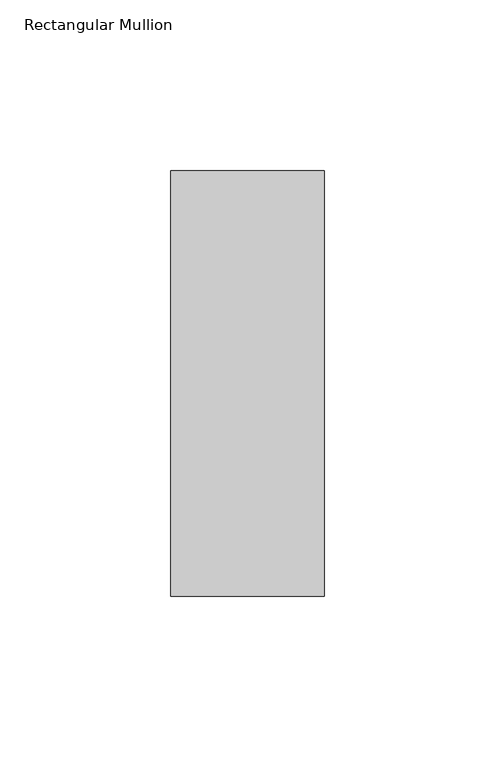
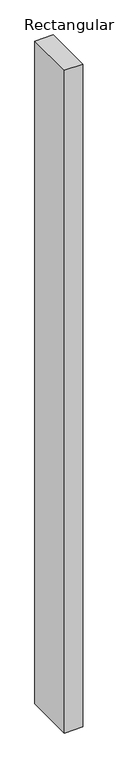
"""IFC4 building model written with IfcOpenShell, lengths in millimetres: member geometry, Rectangular Mullion."""

from ifc_helpers import new_model, si_unit, frame, origin, place, context, project, spatial, polyline, outline, extrude, source, transform, mapped, element, save


def rectangular_mullion_fef95498(model_context):
    return source(origin(), model_context, "Body", "SweptSolid", [
        extrude(outline(polyline([(22.5, 77.84375), (22.5, -46.84375), (-22.5, -46.84375), (-22.5, 77.84375), (22.5, 77.84375)])), frame((0.0, 0.0, -1708.8912252), z_axis=(0.0, 0.0, 1.0), x_axis=(1.0, 0.0, 0.0)), (0.0, 0.0, 1.0), 1708.8912252),
    ])


if __name__ == "__main__":
    model = new_model("IFC4")
    model_context = context("Model", 3, world=origin())
    ifc_project = project(units=[si_unit("LENGTHUNIT", "METRE", prefix="MILLI")], contexts=[model_context])
    site = spatial("IfcSite", under=ifc_project)
    building = spatial("IfcBuilding", under=site)
    placement = place(None, origin())
    rectangular_mullion_shape = rectangular_mullion_fef95498(model_context)
    element("IfcMember", 1, ObjectType="Rectangular Mullion", at=placement, inside=building, context=model_context, shape_type="MappedRepresentation", body=[
        mapped(rectangular_mullion_shape, transform((0.0, 0.0, 0.0), x_axis=(1.0, 0.0, 0.0), y_axis=(0.0, 1.0, 0.0), z_axis=(0.0, 0.0, 1.0))),
    ])
    save(model, "model.ifc")
